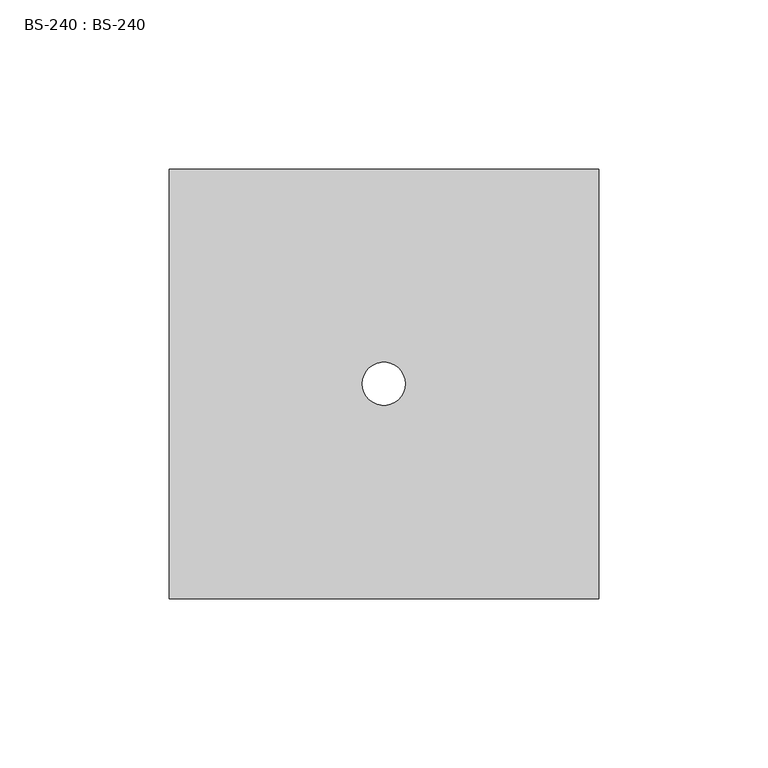
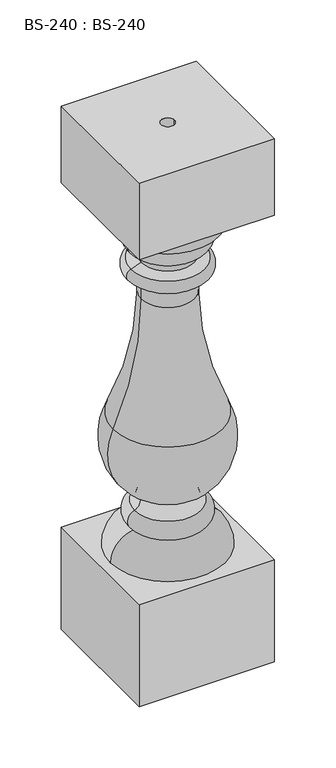
"""IFC4 building model written with IfcOpenShell, lengths in millimetres: proxy geometry, BS-240 : BS-240."""

from ifc_helpers import new_model, si_unit, point, frame, origin, origin_with_axes, place, context, project, spatial, polyline, circle_curve, ellipse_curve, trimmed, source, transform, mapped, element, save
from ifc_brep_helpers import plane_surface, cylinder_surface, revolved_surface, advanced_brep


def bs_240_bs_240_7ed3a39a(model_context):
    return source(origin(), model_context, "Body", "AdvancedBrep", [
        advanced_brep(
        [(63.5, -63.5, 520.7), (63.5, 63.5, 520.7), (-63.5, 63.5, 520.7), (-63.5, -63.5, 520.7), (6.35, 0.0, 520.7), (-6.35, 0.0, 520.7), (63.5, -63.5, 444.5), (-63.5, -63.5, 444.5), (-63.5, 63.5, 444.5), (63.5, 63.5, 444.5), (38.1, 0.0, 444.5), (-38.1, 0.0, 444.5), (-28.575, 0.0, 127.0), (28.575, 0.0, 127.0), (53.975, 0.0, 101.6), (-53.975, 0.0, 101.6), (-31.4699893, 0.0, 145.6313398), (31.4699893, 0.0, 145.6313398), (-30.0663014, 0.0, 160.948148), (30.0663014, 0.0, 160.948148), (-51.8065985, 0.0, 233.6787971), (51.8065985, 0.0, 233.6787971), (-34.9448259, 0.0, 375.0543097), (34.9448259, 0.0, 375.0543097), (25.1793801, 0.0, 371.3922675), (-25.1793801, 0.0, 371.3922675), (-34.9448259, 0.0, 386.9456903), (34.9448259, 0.0, 386.9456903), (-25.4, 0.0, 390.525), (25.4, 0.0, 390.525), (-25.4, 0.0, 400.05), (25.4, 0.0, 400.05), (-28.575, 0.0, 400.05), (28.575, 0.0, 400.05), (-28.575, 0.0, 419.1), (28.575, 0.0, 419.1), (-38.1, 0.0, 419.1), (38.1, 0.0, 419.1), (-25.1793801, 0.0, 353.9173297), (25.1793801, 0.0, 353.9173297), (63.5, -63.5, 101.6), (63.5, 63.5, 101.6), (-63.5, 63.5, 101.6), (-63.5, -63.5, 101.6), (63.5, -63.5, 0.0), (-63.5, -63.5, 0.0), (-63.5, 63.5, 0.0), (63.5, 63.5, 0.0), (-6.35, 0.0, 0.0), (6.35, 0.0, 0.0)],
        [
            (0, 1),
            (1, 2),
            (2, 3),
            (3, 0),
            (4, 5, circle_curve(frame((0.0, 0.0, 520.7), z_axis=(0.0, 0.0, -1.0), x_axis=(1.0, 0.0, 0.0)), 6.35)),
            (5, 4, circle_curve(frame((0.0, 0.0, 520.7), z_axis=(0.0, 0.0, -1.0), x_axis=(1.0, 0.0, 0.0)), 6.35)),
            (6, 7),
            (7, 8),
            (8, 9),
            (9, 6),
            (10, 11, circle_curve(frame((0.0, 0.0, 444.5), z_axis=(0.0, 0.0, 1.0), x_axis=(1.0, 0.0, 0.0)), 38.1)),
            (11, 10, circle_curve(frame((0.0, 0.0, 444.5), z_axis=(0.0, 0.0, 1.0), x_axis=(1.0, 0.0, 0.0)), 38.1)),
            (0, 6),
            (9, 1),
            (8, 2),
            (7, 3),
            (12, 13, circle_curve(frame((0.0, 0.0, 127.0), z_axis=(0.0, 0.0, -1.0), x_axis=(1.0, 0.0, 0.0)), 28.575)),
            (13, 14, circle_curve(frame((28.575, 0.0, 101.6), z_axis=(0.0, 1.0, 0.0), x_axis=(1.0, 0.0, 0.0)), 25.4)),
            (14, 15, circle_curve(frame((0.0, 0.0, 101.6), z_axis=(0.0, 0.0, 1.0), x_axis=(1.0, 0.0, 0.0)), 53.975)),
            (15, 12, circle_curve(frame((-28.575, 0.0, 101.6), z_axis=(0.0, 1.0, 0.0), x_axis=(-1.0, 0.0, 0.0)), 25.4)),
            (13, 12, circle_curve(frame((0.0, 0.0, 127.0), z_axis=(0.0, 0.0, -1.0), x_axis=(1.0, 0.0, 0.0)), 28.575)),
            (15, 14, circle_curve(frame((0.0, 0.0, 101.6), z_axis=(0.0, 0.0, 1.0), x_axis=(1.0, 0.0, 0.0)), 53.975)),
            (12, 16, circle_curve(frame((-28.575, 0.0, 136.5405856), z_axis=(0.0, 1.0, 0.0), x_axis=(-1.0, 0.0, 0.0)), 9.5405856)),
            (16, 17, circle_curve(frame((0.0, 0.0, 145.6313398), z_axis=(0.0, 0.0, -1.0), x_axis=(1.0, 0.0, 0.0)), 31.4699893)),
            (17, 13, circle_curve(frame((28.575, 0.0, 136.5405856), z_axis=(0.0, 1.0, 0.0), x_axis=(1.0, 0.0, 0.0)), 9.5405856)),
            (17, 16, circle_curve(frame((0.0, 0.0, 145.6313398), z_axis=(0.0, 0.0, -1.0), x_axis=(1.0, 0.0, 0.0)), 31.4699893)),
            (16, 18, circle_curve(frame((-34.5874508, 0.0, 153.6397589), z_axis=(0.0, -1.0, 0.0), x_axis=(-1.0, 0.0, 0.0)), 8.5937967)),
            (18, 19, circle_curve(frame((0.0, 0.0, 160.948148), z_axis=(0.0, 0.0, -1.0), x_axis=(1.0, 0.0, 0.0)), 30.0663014)),
            (19, 17, circle_curve(frame((34.5874508, 0.0, 153.6397589), z_axis=(0.0, -1.0, 0.0), x_axis=(1.0, 0.0, 0.0)), 8.5937967)),
            (19, 18, circle_curve(frame((0.0, 0.0, 160.948148), z_axis=(0.0, 0.0, -1.0), x_axis=(1.0, 0.0, 0.0)), 30.0663014)),
            (18, 20, circle_curve(frame((0.0, 0.0, 209.55), z_axis=(0.0, 1.0, 0.0), x_axis=(-1.0, 0.0, 0.0)), 57.15)),
            (20, 21, circle_curve(frame((0.0, 0.0, 233.6787971), z_axis=(0.0, 0.0, -1.0), x_axis=(1.0, 0.0, 0.0)), 51.8065985)),
            (21, 19, circle_curve(frame((0.0, 0.0, 209.55), z_axis=(0.0, 1.0, 0.0), x_axis=(1.0, 0.0, 0.0)), 57.15)),
            (21, 20, circle_curve(frame((0.0, 0.0, 233.6787971), z_axis=(0.0, 0.0, -1.0), x_axis=(1.0, 0.0, 0.0)), 51.8065985)),
            (22, 23, circle_curve(frame((0.0, 0.0, 375.0543097), z_axis=(0.0, 0.0, -1.0), x_axis=(1.0, 0.0, 0.0)), 34.9448259)),
            (23, 24),
            (24, 25, circle_curve(frame((0.0, 0.0, 371.3922675), z_axis=(0.0, 0.0, 1.0), x_axis=(1.0, 0.0, 0.0)), 25.1793801)),
            (25, 22),
            (23, 22, circle_curve(frame((0.0, 0.0, 375.0543097), z_axis=(0.0, 0.0, -1.0), x_axis=(1.0, 0.0, 0.0)), 34.9448259)),
            (25, 24, circle_curve(frame((0.0, 0.0, 371.3922675), z_axis=(0.0, 0.0, 1.0), x_axis=(1.0, 0.0, 0.0)), 25.1793801)),
            (22, 26, circle_curve(frame((-32.7151921, 0.0, 381.0), z_axis=(0.0, 1.0, 0.0), x_axis=(-0.35112344158908637, 0.0, 0.936329177568784)), 6.35)),
            (26, 27, circle_curve(frame((0.0, 0.0, 386.9456903), z_axis=(0.0, 0.0, -1.0), x_axis=(1.0, 0.0, 0.0)), 34.9448259)),
            (27, 23, circle_curve(frame((32.7151921, 0.0, 381.0), z_axis=(0.0, 1.0, 0.0), x_axis=(0.35112344158908937, 0.0, 0.9363291775687829)), 6.35)),
            (27, 26, circle_curve(frame((0.0, 0.0, 386.9456903), z_axis=(0.0, 0.0, -1.0), x_axis=(1.0, 0.0, 0.0)), 34.9448259)),
            (26, 28),
            (28, 29, circle_curve(frame((0.0, 0.0, 390.525), z_axis=(0.0, 0.0, -1.0), x_axis=(1.0, 0.0, 0.0)), 25.4)),
            (29, 27),
            (29, 28, circle_curve(frame((0.0, 0.0, 390.525), z_axis=(0.0, 0.0, -1.0), x_axis=(1.0, 0.0, 0.0)), 25.4)),
            (28, 30),
            (30, 31, circle_curve(frame((0.0, 0.0, 400.05), z_axis=(0.0, 0.0, -1.0), x_axis=(1.0, 0.0, 0.0)), 25.4)),
            (31, 29),
            (31, 30, circle_curve(frame((0.0, 0.0, 400.05), z_axis=(0.0, 0.0, -1.0), x_axis=(1.0, 0.0, 0.0)), 25.4)),
            (30, 32),
            (32, 33, circle_curve(frame((0.0, 0.0, 400.05), z_axis=(0.0, 0.0, -1.0), x_axis=(1.0, 0.0, 0.0)), 28.575)),
            (33, 31),
            (33, 32, circle_curve(frame((0.0, 0.0, 400.05), z_axis=(0.0, 0.0, -1.0), x_axis=(1.0, 0.0, 0.0)), 28.575)),
            (32, 34, circle_curve(frame((-28.575, 0.0, 409.575), z_axis=(0.0, 1.0, 0.0), x_axis=(-1.0, 0.0, 0.0)), 9.525)),
            (34, 35, circle_curve(frame((0.0, 0.0, 419.1), z_axis=(0.0, 0.0, -1.0), x_axis=(1.0, 0.0, 0.0)), 28.575)),
            (35, 33, circle_curve(frame((28.575, 0.0, 409.575), z_axis=(0.0, 1.0, 0.0), x_axis=(1.0, 0.0, 0.0)), 9.525)),
            (35, 34, circle_curve(frame((0.0, 0.0, 419.1), z_axis=(0.0, 0.0, -1.0), x_axis=(1.0, 0.0, 0.0)), 28.575)),
            (34, 36),
            (36, 37, circle_curve(frame((0.0, 0.0, 419.1), z_axis=(0.0, 0.0, -1.0), x_axis=(1.0, 0.0, 0.0)), 38.1)),
            (37, 35),
            (37, 36, circle_curve(frame((0.0, 0.0, 419.1), z_axis=(0.0, 0.0, -1.0), x_axis=(1.0, 0.0, 0.0)), 38.1)),
            (36, 11, circle_curve(frame((-38.1, 0.0, 431.8), z_axis=(0.0, 1.0, 0.0), x_axis=(-1.0, 0.0, 0.0)), 12.7)),
            (10, 37, circle_curve(frame((38.1, 0.0, 431.8), z_axis=(0.0, 1.0, 0.0), x_axis=(1.0, 0.0, 0.0)), 12.7)),
            (20, 38, circle_curve(frame((-309.9690497, 0.0, 353.9173297), z_axis=(0.0, -1.0, 0.0), x_axis=(-1.0, 0.0, 0.0)), 284.7896696)),
            (38, 39, circle_curve(frame((0.0, 0.0, 353.9173297), z_axis=(0.0, 0.0, -1.0), x_axis=(1.0, 0.0, 0.0)), 25.1793801)),
            (39, 21, circle_curve(frame((309.9690497, 0.0, 353.9173297), z_axis=(0.0, -1.0, 0.0), x_axis=(1.0, 0.0, 0.0)), 284.7896696)),
            (39, 38, circle_curve(frame((0.0, 0.0, 353.9173297), z_axis=(0.0, 0.0, -1.0), x_axis=(1.0, 0.0, 0.0)), 25.1793801)),
            (24, 39),
            (38, 25),
            (40, 41),
            (41, 42),
            (42, 43),
            (43, 40),
            (44, 45),
            (45, 46),
            (46, 47),
            (47, 44),
            (48, 49, circle_curve(origin_with_axes(), 6.35)),
            (49, 48, circle_curve(origin_with_axes(), 6.35)),
            (40, 44),
            (47, 41),
            (46, 42),
            (45, 43),
            (4, 49),
            (48, 5),
        ],
        [
            plane_surface(frame((63.5, -101.6, 520.7), z_axis=(0.0, 0.0, 1.0), x_axis=(0.0, 1.0, 0.0))),
            plane_surface(frame((63.5, -101.6, 444.5), z_axis=(0.0, 0.0, -1.0), x_axis=(0.0, -1.0, 0.0))),
            plane_surface(frame((63.5, -63.5, 520.7), z_axis=(1.0, 0.0, 0.0), x_axis=(0.0, 0.0, -1.0))),
            plane_surface(frame((63.5, 63.5, 520.7), z_axis=(0.0, 1.0, 0.0), x_axis=(0.0, 0.0, -1.0))),
            plane_surface(frame((-63.5, 63.5, 520.7), z_axis=(-1.0, 0.0, 0.0), x_axis=(0.0, 0.0, -1.0))),
            plane_surface(frame((-63.5, -63.5, 520.7), z_axis=(0.0, -1.0, 0.0), x_axis=(0.0, 0.0, -1.0))),
            revolved_surface(trimmed(ellipse_curve(frame((28.575, 0.0, 101.6), z_axis=(0.0, -1.0, 0.0), x_axis=(1.0, 0.0, 0.0)), 25.4, 25.4), [point((53.975, 0.0, 101.6))], [point((28.575, 0.0, 127.0))], True, "CARTESIAN"), (0.0, 0.0, 444.5), (0.0, 0.0, 1.0)),
            revolved_surface(trimmed(ellipse_curve(frame((28.575, 0.0, 136.5405856), z_axis=(0.0, -1.0, 0.0), x_axis=(1.0, 0.0, 0.0)), 9.5405856, 9.5405856), [point((28.575, 0.0, 127.0))], [point((31.4699893, 0.0, 145.6313398))], True, "CARTESIAN"), (0.0, 0.0, 444.5), (0.0, 0.0, 1.0)),
            revolved_surface(trimmed(ellipse_curve(frame((34.5874508, 0.0, 153.6397589), z_axis=(0.0, 1.0, 0.0), x_axis=(1.0, 0.0, 0.0)), 8.5937967, 8.5937967), [point((31.4699893, 0.0, 145.6313398))], [point((30.0663014, 0.0, 160.948148))], True, "CARTESIAN"), (0.0, 0.0, 444.5), (0.0, 0.0, 1.0)),
            revolved_surface(trimmed(ellipse_curve(frame((0.0, 0.0, 209.55), z_axis=(0.0, -1.0, 0.0), x_axis=(1.0, 0.0, 0.0)), 57.15, 57.15), [point((30.0663014, 0.0, 160.948148))], [point((51.8065985, 0.0, 233.6787971))], True, "CARTESIAN"), (0.0, 0.0, 444.5), (0.0, 0.0, 1.0)),
            revolved_surface(polyline([(25.1793801, 0.0, 371.3922675), (34.9448259, 0.0, 375.0543097)]), (0.0, 0.0, 444.5), (0.0, 0.0, 1.0)),
            revolved_surface(trimmed(ellipse_curve(frame((32.7151921, 0.0, 381.0), z_axis=(0.0, -1.0, 0.0), x_axis=(0.35112344158908937, 0.0, 0.9363291775687829)), 6.35, 6.35), [point((34.9448259, 0.0, 375.0543097))], [point((34.9448259, 0.0, 386.9456903))], True, "CARTESIAN"), (0.0, 0.0, 444.5), (0.0, 0.0, 1.0)),
            revolved_surface(polyline([(34.9448259, 0.0, 386.9456903), (25.4, 0.0, 390.525)]), (0.0, 0.0, 444.5), (0.0, 0.0, 1.0)),
            cylinder_surface(frame((0.0, 0.0, 444.5), z_axis=(0.0, 0.0, 1.0), x_axis=(1.0, 0.0, 0.0)), 25.4),
            plane_surface(frame((0.0, 0.0, 400.05), z_axis=(0.0, 0.0, -1.0), x_axis=(1.0, 0.0, 0.0))),
            revolved_surface(trimmed(ellipse_curve(frame((28.575, 0.0, 409.575), z_axis=(0.0, -1.0, 0.0), x_axis=(1.0, 0.0, 0.0)), 9.525, 9.525), [point((28.575, 0.0, 400.05))], [point((28.575, 0.0, 419.1))], True, "CARTESIAN"), (0.0, 0.0, 444.5), (0.0, 0.0, 1.0)),
            plane_surface(frame((0.0, 0.0, 419.1), z_axis=(0.0, 0.0, -1.0), x_axis=(1.0, 0.0, 0.0))),
            revolved_surface(trimmed(ellipse_curve(frame((38.1, 0.0, 431.8), z_axis=(0.0, -1.0, 0.0), x_axis=(1.0, 0.0, 0.0)), 12.7, 12.7), [point((38.1, 0.0, 419.1))], [point((38.1, 0.0, 444.5))], True, "CARTESIAN"), (0.0, 0.0, 444.5), (0.0, 0.0, 1.0)),
            revolved_surface(trimmed(ellipse_curve(frame((309.9690497, 0.0, 353.9173297), z_axis=(0.0, 1.0, 0.0), x_axis=(1.0, 0.0, 0.0)), 284.7896696, 284.7896696), [point((51.8065985, 0.0, 233.6787971))], [point((25.1793801, 0.0, 353.9173297))], True, "CARTESIAN"), (0.0, 0.0, 444.5), (0.0, 0.0, 1.0)),
            cylinder_surface(frame((0.0, 0.0, 444.5), z_axis=(0.0, 0.0, 1.0), x_axis=(1.0, 0.0, 0.0)), 25.1793801),
            plane_surface(frame((63.5, -101.6, 101.6), z_axis=(0.0, 0.0, 1.0), x_axis=(0.0, 1.0, 0.0))),
            plane_surface(frame((63.5, -101.6, 0.0), z_axis=(0.0, 0.0, -1.0), x_axis=(0.0, -1.0, 0.0))),
            plane_surface(frame((63.5, -63.5, 101.6), z_axis=(1.0, 0.0, 0.0), x_axis=(0.0, 0.0, -1.0))),
            plane_surface(frame((63.5, 63.5, 101.6), z_axis=(0.0, 1.0, 0.0), x_axis=(0.0, 0.0, -1.0))),
            plane_surface(frame((-63.5, 63.5, 101.6), z_axis=(-1.0, 0.0, 0.0), x_axis=(0.0, 0.0, -1.0))),
            plane_surface(frame((-63.5, -63.5, 101.6), z_axis=(0.0, -1.0, 0.0), x_axis=(0.0, 0.0, -1.0))),
            revolved_surface(polyline([(6.35, 0.0, 520.7), (6.35, 0.0, 0.0)]), (0.0, 0.0, 0.0), (0.0, 0.0, 1.0)),
        ],
        [
            (0, [[1, 2, 3, 4], [5, 6]]),
            (1, [[7, 8, 9, 10], [11, 12]]),
            (2, [[-1, 13, -10, 14]]),
            (3, [[-2, -14, -9, 15]]),
            (4, [[-3, -15, -8, 16]]),
            (5, [[-4, -16, -7, -13]]),
            (6, [[17, 18, 19, 20]]),
            (6, [[-18, 21, -20, 22]]),
            (7, [[-17, 23, 24, 25]]),
            (7, [[-21, -25, 26, -23]]),
            (8, [[-24, 27, 28, 29]]),
            (8, [[-26, -29, 30, -27]]),
            (9, [[-28, 31, 32, 33]]),
            (9, [[-30, -33, 34, -31]]),
            (10, [[35, 36, 37, 38]]),
            (10, [[-36, 39, -38, 40]]),
            (11, [[-35, 41, 42, 43]]),
            (11, [[-39, -43, 44, -41]]),
            (12, [[-42, 45, 46, 47]]),
            (12, [[-44, -47, 48, -45]]),
            (13, [[-46, 49, 50, 51]]),
            (13, [[-48, -51, 52, -49]]),
            (14, [[-50, 53, 54, 55]]),
            (14, [[-52, -55, 56, -53]]),
            (15, [[-54, 57, 58, 59]]),
            (15, [[-56, -59, 60, -57]]),
            (16, [[-58, 61, 62, 63]]),
            (16, [[-60, -63, 64, -61]]),
            (17, [[-62, 65, -11, 66]]),
            (17, [[-64, -66, -12, -65]]),
            (18, [[-32, 67, 68, 69]]),
            (18, [[-34, -69, 70, -67]]),
            (19, [[-37, 71, -68, 72]]),
            (19, [[-40, -72, -70, -71]]),
            (20, [[73, 74, 75, 76], [-19, -22]]),
            (21, [[77, 78, 79, 80], [81, 82]]),
            (22, [[-73, 83, -80, 84]]),
            (23, [[-74, -84, -79, 85]]),
            (24, [[-75, -85, -78, 86]]),
            (25, [[-76, -86, -77, -83]]),
            (26, [[87, -81, 88, -5]]),
            (26, [[-87, -6, -88, -82]]),
        ],
    ),
    ])


if __name__ == "__main__":
    model = new_model("IFC4")
    model_context = context("Model", 3, world=origin())
    ifc_project = project(units=[si_unit("LENGTHUNIT", "METRE", prefix="MILLI")], contexts=[model_context])
    site = spatial("IfcSite", under=ifc_project)
    building = spatial("IfcBuilding", under=site)
    placement = place(None, origin())
    bs_240_bs_240_shape = bs_240_bs_240_7ed3a39a(model_context)
    element("IfcBuildingElementProxy", 1, Name="BS-240 : BS-240", ObjectType="BS-240 : BS-240", at=placement, inside=building, context=model_context, shape_type="MappedRepresentation", body=[
        mapped(bs_240_bs_240_shape, transform((0.0, 0.0, 0.0), x_axis=(1.0, 0.0, 0.0), y_axis=(0.0, 1.0, 0.0), z_axis=(0.0, 0.0, 1.0))),
    ])
    save(model, "model.ifc")
